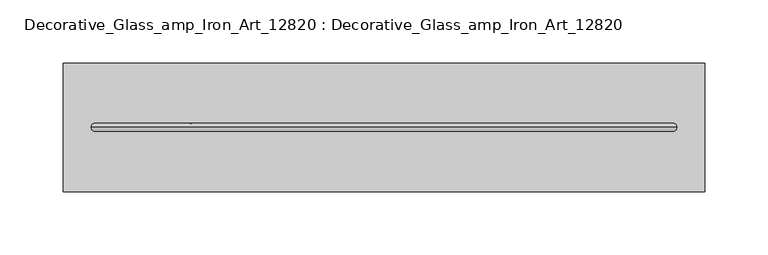
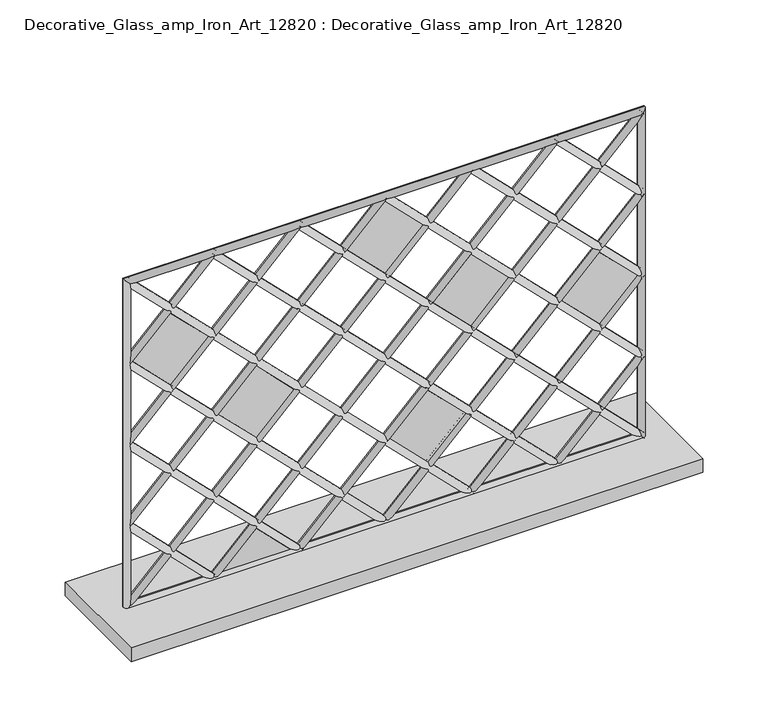
"""IFC4 building model written with IfcOpenShell, lengths in millimetres: furniture geometry, Decorative_Glass_amp_Iron_Art_12820 : Decorative_Glass_amp_Iron_Art_12820."""

from ifc_helpers import new_model, si_unit, point, frame, origin, origin_with_axes, origin_2d, place, context, project, spatial, polyline, circle_curve, ellipse_curve, trimmed, segment, composite_curve, outline, extrude, source, transform, mapped, element, save
from ifc_brep_helpers import cylinder_surface, advanced_brep


def decorative_glass_amp_iron_art_12820_decorative_glass_amp_f34a267d(model_context):
    return source(origin(), model_context, "Body", "SolidModel", [
        extrude(outline(polyline([(46.3097747, -114.2996957), (15.8750826, -144.7343878), (15.8750826, -83.8650036), (46.3097747, -114.2996957)])), frame((0.0, -1.190625, 0.0), z_axis=(0.0, 1.0, 0.0), x_axis=(0.0, 0.0, 1.0)), (0.0, 0.0, 1.0), 2.5796875),
        extrude(outline(polyline([(0.0, -47.5315493), (0.0, 0.0), (2.5796875, 0.0), (2.5796875, -47.5315493), (0.0, -47.5315493)])), frame((-33.6098625, -1.190625, 279.4000448), z_axis=(0.7071067811865492, 0.0, 0.7071067811865458), x_axis=(0.0, 1.0, 0.0)), (0.0, 0.0, 1.0), 47.5315233),
        extrude(outline(polyline([(0.0, -47.5315493), (0.0, 0.0), (2.5796875, 0.0), (2.5796875, -47.5315493), (0.0, -47.5315493)])), frame((-224.1097453, -1.190625, 241.2998847), z_axis=(0.707106781186549, 0.0, 0.7071067811865461), x_axis=(0.0, 1.0, 0.0)), (0.0, 0.0, 1.0), 47.5315233),
        extrude(outline(polyline([(0.0, -47.5315493), (0.0, 0.0), (2.5796875, 0.0), (2.5796875, -47.5315493), (0.0, -47.5315493)])), frame((156.9031571, -1.190625, 165.0880628), z_axis=(0.707106781186549, 0.0, 0.7071067811865461), x_axis=(0.0, 1.0, 0.0)), (0.0, 0.0, 1.0), 47.5315233),
        extrude(outline(polyline([(0.0, -47.5315493), (0.0, 0.0), (2.5796875, 0.0), (2.5796875, -47.5315493), (0.0, -47.5315493)])), frame((4.4901396, -1.190625, 88.9000111), z_axis=(0.7071067811865493, 0.0, 0.7071067811865457), x_axis=(0.0, 1.0, 0.0)), (0.0, 0.0, 1.0), 47.5315233),
        extrude(outline(polyline([(0.0, -47.5315493), (0.0, 0.0), (2.5796875, 0.0), (2.5796875, -47.5315493), (0.0, -47.5315493)])), frame((42.5901288, -1.190625, 203.2000535), z_axis=(0.7071067811865491, 0.0, 0.7071067811865459), x_axis=(0.0, 1.0, 0.0)), (0.0, 0.0, 1.0), 47.5315233),
        extrude(outline(polyline([(0.0, -47.5315493), (0.0, 0.0), (2.547437, 0.0), (2.547437, -47.5315493), (0.0, -47.5315493)])), frame((-147.9098654, -1.2047918, 165.1000048), z_axis=(0.7071067811865491, 0.0, 0.7071067811865459), x_axis=(0.0, 1.0, 0.0)), (0.0, 0.0, 1.0), 47.5315233),
        advanced_brep(
        [(231.775, 0.0, 320.675), (225.425, 0.0, 314.325), (225.425, 0.0, 15.875), (231.775, 0.0, 9.525), (-225.425, 0.0, 15.875), (-231.775, 0.0, 9.525), (-225.425, 0.0, 314.325), (-231.775, 0.0, 320.675)],
        [
            (0, 1, ellipse_curve(frame((228.6, 0.0, 317.5), z_axis=(0.7071067811865458, 0.0, -0.707106781186549), x_axis=(0.7071067811865489, 0.0, 0.7071067811865461)), 4.4901281, 3.175)),
            (1, 2),
            (2, 3, ellipse_curve(frame((228.6, 0.0, 12.7), z_axis=(0.7071067811865491, 0.0, 0.7071067811865459), x_axis=(-0.7071067811865458, 0.0, 0.7071067811865492)), 4.4901281, 3.175)),
            (3, 0),
            (1, 0, ellipse_curve(frame((228.6, 0.0, 317.5), z_axis=(0.7071067811865458, 0.0, -0.707106781186549), x_axis=(0.7071067811865489, 0.0, 0.7071067811865461)), 4.4901281, 3.175)),
            (3, 2, ellipse_curve(frame((228.6, 0.0, 12.7), z_axis=(0.7071067811865491, 0.0, 0.7071067811865459), x_axis=(-0.7071067811865458, 0.0, 0.7071067811865492)), 4.4901281, 3.175)),
            (2, 4),
            (4, 5, ellipse_curve(frame((-228.6, 0.0, 12.7), z_axis=(0.7071067811865459, 0.0, -0.707106781186549), x_axis=(0.7071067811865491, 0.0, 0.7071067811865459)), 4.4901281, 3.175)),
            (5, 3),
            (5, 4, ellipse_curve(frame((-228.6, 0.0, 12.7), z_axis=(0.7071067811865459, 0.0, -0.707106781186549), x_axis=(0.7071067811865491, 0.0, 0.7071067811865459)), 4.4901281, 3.175)),
            (4, 6),
            (6, 7, ellipse_curve(frame((-228.6, 0.0, 317.5), z_axis=(-0.7071067811865491, 0.0, -0.707106781186546), x_axis=(0.707106781186546, 0.0, -0.7071067811865489)), 4.4901281, 3.175)),
            (7, 5),
            (7, 6, ellipse_curve(frame((-228.6, 0.0, 317.5), z_axis=(-0.7071067811865491, 0.0, -0.707106781186546), x_axis=(0.707106781186546, 0.0, -0.7071067811865489)), 4.4901281, 3.175)),
            (6, 1),
            (0, 7),
        ],
        [
            cylinder_surface(frame((228.6, 0.0, 317.5), z_axis=(0.0, 0.0, 1.0), x_axis=(1.0, 0.0, 0.0)), 3.175),
            cylinder_surface(frame((228.6, 0.0, 12.7), z_axis=(1.0, 0.0, 0.0), x_axis=(0.0, 0.0, -1.0)), 3.175),
            cylinder_surface(frame((-228.6, 0.0, 12.7), z_axis=(0.0, 0.0, -1.0), x_axis=(-1.0, 0.0, 0.0)), 3.175),
            cylinder_surface(frame((-228.6, 0.0, 317.5), z_axis=(-1.0, 0.0, 0.0), x_axis=(0.0, 0.0, 1.0)), 3.175),
        ],
        [
            (0, [[1, 2, 3, 4]]),
            (0, [[5, -4, 6, -2]]),
            (1, [[-3, 7, 8, 9]]),
            (1, [[-6, -9, 10, -7]]),
            (2, [[-8, 11, 12, 13]]),
            (2, [[-10, -13, 14, -11]]),
            (3, [[-12, 15, -1, 16]]),
            (3, [[-14, -16, -5, -15]]),
        ],
    ),
        extrude(outline(composite_curve([segment(trimmed(circle_curve(origin_2d(), 3.175), [point((0.0, -3.175))], [point((0.0, 3.175))], False, "CARTESIAN"), True, "CONTINUOUS"), segment(trimmed(circle_curve(origin_2d(), 3.175), [point((0.0, 3.175))], [point((0.0, -3.175))], False, "CARTESIAN"), True, "CONTINUOUS")], self_intersect=False)), frame((228.6, 0.0, 241.3), z_axis=(-0.7071067811865458, 0.0, 0.7071067811865493), x_axis=(0.0, -1.0, 0.0)), (0.0, 0.0, 1.0), 107.7630735),
        extrude(outline(composite_curve([segment(trimmed(circle_curve(origin_2d(), 3.175), [point((0.0, -3.175))], [point((0.0, 3.175))], False, "CARTESIAN"), True, "CONTINUOUS"), segment(trimmed(circle_curve(origin_2d(), 3.175), [point((0.0, 3.175))], [point((0.0, -3.175))], False, "CARTESIAN"), True, "CONTINUOUS")], self_intersect=False)), frame((228.6, 0.0, 165.1), z_axis=(-0.7071067811865458, 0.0, 0.7071067811865493), x_axis=(0.0, -1.0, 0.0)), (0.0, 0.0, 1.0), 215.5261469),
        extrude(outline(composite_curve([segment(trimmed(circle_curve(origin_2d(), 3.175), [point((0.0, -3.175))], [point((0.0, 3.175))], False, "CARTESIAN"), True, "CONTINUOUS"), segment(trimmed(circle_curve(origin_2d(), 3.175), [point((0.0, 3.175))], [point((0.0, -3.175))], False, "CARTESIAN"), True, "CONTINUOUS")], self_intersect=False)), frame((228.6, 0.0, 88.9), z_axis=(-0.7071067811865458, 0.0, 0.7071067811865493), x_axis=(0.0, -1.0, 0.0)), (0.0, 0.0, 1.0), 323.2892204),
        extrude(outline(composite_curve([segment(trimmed(circle_curve(origin_2d(), 3.175), [point((0.0, -3.175))], [point((0.0, 3.175))], False, "CARTESIAN"), True, "CONTINUOUS"), segment(trimmed(circle_curve(origin_2d(), 3.175), [point((0.0, 3.175))], [point((0.0, -3.175))], False, "CARTESIAN"), True, "CONTINUOUS")], self_intersect=False)), frame((-152.4, 0.0, 12.7), z_axis=(-0.7071067811865458, 0.0, 0.7071067811865493), x_axis=(0.0, -1.0, 0.0)), (0.0, 0.0, 1.0), 107.7630735),
        extrude(outline(composite_curve([segment(trimmed(circle_curve(origin_2d(), 3.175), [point((0.0, -3.175))], [point((0.0, 3.175))], False, "CARTESIAN"), True, "CONTINUOUS"), segment(trimmed(circle_curve(origin_2d(), 3.175), [point((0.0, 3.175))], [point((0.0, -3.175))], False, "CARTESIAN"), True, "CONTINUOUS")], self_intersect=False)), frame((-76.2, 0.0, 12.7), z_axis=(-0.7071067811865458, 0.0, 0.7071067811865493), x_axis=(0.0, -1.0, 0.0)), (0.0, 0.0, 1.0), 215.5261469),
        extrude(outline(composite_curve([segment(trimmed(circle_curve(origin_2d(), 3.175), [point((0.0, -3.175))], [point((0.0, 3.175))], False, "CARTESIAN"), True, "CONTINUOUS"), segment(trimmed(circle_curve(origin_2d(), 3.175), [point((0.0, 3.175))], [point((0.0, -3.175))], False, "CARTESIAN"), True, "CONTINUOUS")], self_intersect=False)), frame((0.0, 0.0, 12.7), z_axis=(-0.7071067811865458, 0.0, 0.7071067811865493), x_axis=(0.0, -1.0, 0.0)), (0.0, 0.0, 1.0), 323.2892204),
        extrude(outline(composite_curve([segment(trimmed(circle_curve(origin_2d(), 3.175), [point((0.0, -3.175))], [point((0.0, 3.175))], False, "CARTESIAN"), True, "CONTINUOUS"), segment(trimmed(circle_curve(origin_2d(), 3.175), [point((0.0, 3.175))], [point((0.0, -3.175))], False, "CARTESIAN"), True, "CONTINUOUS")], self_intersect=False)), frame((76.2, 0.0, 12.7), z_axis=(-0.7071067811865458, 0.0, 0.7071067811865493), x_axis=(0.0, -1.0, 0.0)), (0.0, 0.0, 1.0), 431.0522938),
        extrude(outline(composite_curve([segment(trimmed(circle_curve(origin_2d(), 3.175), [point((0.0, -3.175))], [point((0.0, 3.175))], False, "CARTESIAN"), True, "CONTINUOUS"), segment(trimmed(circle_curve(origin_2d(), 3.175), [point((0.0, 3.175))], [point((0.0, -3.175))], False, "CARTESIAN"), True, "CONTINUOUS")], self_intersect=False)), frame((152.4, 0.0, 12.7), z_axis=(-0.7071067811865458, 0.0, 0.7071067811865493), x_axis=(0.0, -1.0, 0.0)), (0.0, 0.0, 1.0), 431.0522938),
        extrude(outline(composite_curve([segment(trimmed(circle_curve(origin_2d(), 3.175), [point((0.0, -3.175))], [point((0.0, 3.175))], False, "CARTESIAN"), True, "CONTINUOUS"), segment(trimmed(circle_curve(origin_2d(), 3.175), [point((0.0, 3.175))], [point((0.0, -3.175))], False, "CARTESIAN"), True, "CONTINUOUS")], self_intersect=False)), frame((228.6, 0.0, 12.7), z_axis=(-0.7071067811865458, 0.0, 0.7071067811865493), x_axis=(0.0, -1.0, 0.0)), (0.0, 0.0, 1.0), 431.0522938),
        extrude(outline(composite_curve([segment(trimmed(circle_curve(origin_2d(), 3.175), [point((0.0, 3.175))], [point((0.0, -3.175))], False, "CARTESIAN"), True, "CONTINUOUS"), segment(trimmed(circle_curve(origin_2d(), 3.175), [point((0.0, -3.175))], [point((0.0, 3.175))], False, "CARTESIAN"), True, "CONTINUOUS")], self_intersect=False)), frame((-228.6, 0.0, 241.3), z_axis=(0.7071067811865481, 0.0, 0.707106781186547), x_axis=(0.0, -1.0, 0.0)), (0.0, 0.0, 1.0), 107.7630735),
        extrude(outline(composite_curve([segment(trimmed(circle_curve(origin_2d(), 3.175), [point((0.0, 3.175))], [point((0.0, -3.175))], False, "CARTESIAN"), True, "CONTINUOUS"), segment(trimmed(circle_curve(origin_2d(), 3.175), [point((0.0, -3.175))], [point((0.0, 3.175))], False, "CARTESIAN"), True, "CONTINUOUS")], self_intersect=False)), frame((-228.6, 0.0, 165.1), z_axis=(0.7071067811865481, 0.0, 0.707106781186547), x_axis=(0.0, -1.0, 0.0)), (0.0, 0.0, 1.0), 215.5261469),
        extrude(outline(composite_curve([segment(trimmed(circle_curve(origin_2d(), 3.175), [point((0.0, 3.175))], [point((0.0, -3.175))], False, "CARTESIAN"), True, "CONTINUOUS"), segment(trimmed(circle_curve(origin_2d(), 3.175), [point((0.0, -3.175))], [point((0.0, 3.175))], False, "CARTESIAN"), True, "CONTINUOUS")], self_intersect=False)), frame((-228.6, 0.0, 88.9), z_axis=(0.7071067811865481, 0.0, 0.707106781186547), x_axis=(0.0, -1.0, 0.0)), (0.0, 0.0, 1.0), 323.2892204),
        extrude(outline(composite_curve([segment(trimmed(circle_curve(origin_2d(), 3.175), [point((0.0, 3.175))], [point((0.0, -3.175))], False, "CARTESIAN"), True, "CONTINUOUS"), segment(trimmed(circle_curve(origin_2d(), 3.175), [point((0.0, -3.175))], [point((0.0, 3.175))], False, "CARTESIAN"), True, "CONTINUOUS")], self_intersect=False)), frame((152.4, 0.0, 12.7), z_axis=(0.7071067811865481, 0.0, 0.707106781186547), x_axis=(0.0, -1.0, 0.0)), (0.0, 0.0, 1.0), 107.7630735),
        extrude(outline(composite_curve([segment(trimmed(circle_curve(origin_2d(), 3.175), [point((0.0, 3.175))], [point((0.0, -3.175))], False, "CARTESIAN"), True, "CONTINUOUS"), segment(trimmed(circle_curve(origin_2d(), 3.175), [point((0.0, -3.175))], [point((0.0, 3.175))], False, "CARTESIAN"), True, "CONTINUOUS")], self_intersect=False)), frame((76.2, 0.0, 12.7), z_axis=(0.7071067811865481, 0.0, 0.707106781186547), x_axis=(0.0, -1.0, 0.0)), (0.0, 0.0, 1.0), 215.5261469),
        extrude(outline(composite_curve([segment(trimmed(circle_curve(origin_2d(), 3.175), [point((0.0, 3.175))], [point((0.0, -3.175))], False, "CARTESIAN"), True, "CONTINUOUS"), segment(trimmed(circle_curve(origin_2d(), 3.175), [point((0.0, -3.175))], [point((0.0, 3.175))], False, "CARTESIAN"), True, "CONTINUOUS")], self_intersect=False)), frame((0.0, 0.0, 12.7), z_axis=(0.7071067811865481, 0.0, 0.707106781186547), x_axis=(0.0, -1.0, 0.0)), (0.0, 0.0, 1.0), 323.2892204),
        extrude(outline(composite_curve([segment(trimmed(circle_curve(origin_2d(), 3.175), [point((0.0, 3.175))], [point((0.0, -3.175))], False, "CARTESIAN"), True, "CONTINUOUS"), segment(trimmed(circle_curve(origin_2d(), 3.175), [point((0.0, -3.175))], [point((0.0, 3.175))], False, "CARTESIAN"), True, "CONTINUOUS")], self_intersect=False)), frame((-76.2, 0.0, 12.7), z_axis=(0.7071067811865481, 0.0, 0.707106781186547), x_axis=(0.0, -1.0, 0.0)), (0.0, 0.0, 1.0), 431.0522938),
        extrude(outline(composite_curve([segment(trimmed(circle_curve(origin_2d(), 3.175), [point((0.0, 3.175))], [point((0.0, -3.175))], False, "CARTESIAN"), True, "CONTINUOUS"), segment(trimmed(circle_curve(origin_2d(), 3.175), [point((0.0, -3.175))], [point((0.0, 3.175))], False, "CARTESIAN"), True, "CONTINUOUS")], self_intersect=False)), frame((-152.4, 0.0, 12.7), z_axis=(0.7071067811865481, 0.0, 0.707106781186547), x_axis=(0.0, -1.0, 0.0)), (0.0, 0.0, 1.0), 431.0522938),
        extrude(outline(composite_curve([segment(trimmed(circle_curve(origin_2d(), 3.175), [point((0.0, 3.175))], [point((0.0, -3.175))], False, "CARTESIAN"), True, "CONTINUOUS"), segment(trimmed(circle_curve(origin_2d(), 3.175), [point((0.0, -3.175))], [point((0.0, 3.175))], False, "CARTESIAN"), True, "CONTINUOUS")], self_intersect=False)), frame((-228.6, 0.0, 12.7), z_axis=(0.7071067811865481, 0.0, 0.707106781186547), x_axis=(0.0, -1.0, 0.0)), (0.0, 0.0, 1.0), 431.0522938),
        extrude(outline(polyline([(-254.0, 50.8), (254.0, 50.8), (254.0, -50.8), (-254.0, -50.8), (-254.0, 50.8)])), origin_with_axes(), (0.0, 0.0, 1.0), 12.7),
    ])


if __name__ == "__main__":
    model = new_model("IFC4")
    model_context = context("Model", 3, world=origin())
    ifc_project = project(units=[si_unit("LENGTHUNIT", "METRE", prefix="MILLI")], contexts=[model_context])
    site = spatial("IfcSite", under=ifc_project)
    building = spatial("IfcBuilding", under=site)
    placement = place(None, origin())
    decorative_glass_amp_iron_art_12820_decorative_glass_amp_shape = decorative_glass_amp_iron_art_12820_decorative_glass_amp_f34a267d(model_context)
    element("IfcFurniture", 1, ObjectType="Decorative_Glass_amp_Iron_Art_12820 : Decorative_Glass_amp_Iron_Art_12820", at=placement, inside=building, context=model_context, shape_type="MappedRepresentation", body=[
        mapped(decorative_glass_amp_iron_art_12820_decorative_glass_amp_shape, transform((0.0, 0.0, 0.0), x_axis=(1.0, 0.0, 0.0), y_axis=(0.0, 1.0, 0.0), z_axis=(0.0, 0.0, 1.0))),
    ])
    save(model, "model.ifc")
